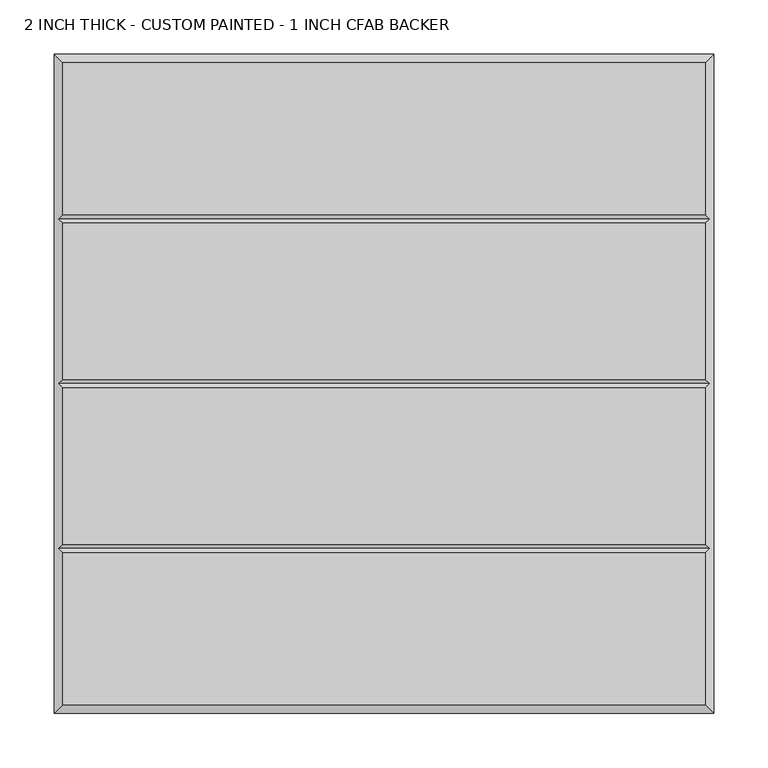
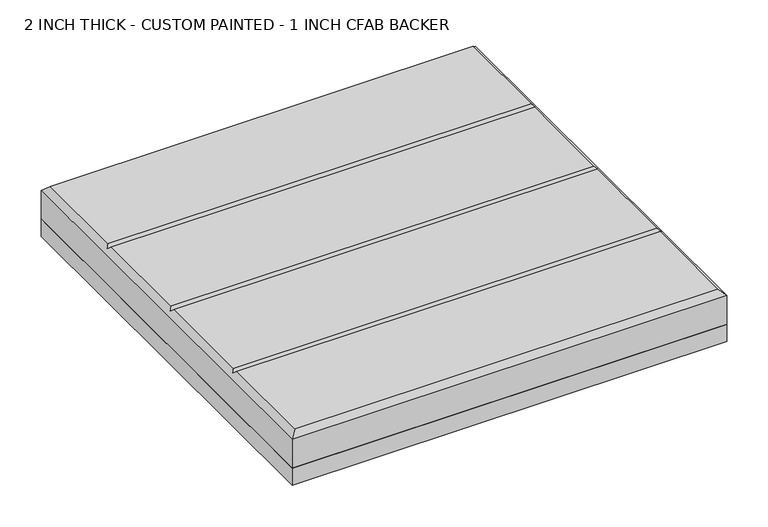
"""IFC4 building model written with IfcOpenShell, lengths in millimetres: proxy geometry, 2 INCH THICK - CUSTOM PAINTED - 1 INCH CFAB BACKER."""

from ifc_helpers import new_model, si_unit, frame, origin, place, context, project, spatial, polyline, outline, extrude, faceted_brep, source, transform, mapped, element, save


def proxy_2_inch_thick_custom_painted_1_inch_cfab_backer_ab500b00(model_context):
    return source(origin(), model_context, "Body", "SolidModel", [
        extrude(outline(polyline([(-304.8, 304.8), (304.8, 304.8), (304.8, -304.8), (-304.8, -304.8), (-304.8, 304.8)])), frame((0.0, 0.0, -25.4), z_axis=(0.0, 0.0, 1.0), x_axis=(1.0, 0.0, 0.0)), (0.0, 0.0, 1.0), 25.4),
        faceted_brep([(296.799, 296.799, 50.8), (-296.799, 296.799, 50.8), (-296.799, 156.4005254, 50.8), (296.799, 156.4005254, 50.8), (-296.799, -296.799, 50.8), (296.799, -296.799, 50.8), (296.799, -156.4004746, 50.8), (-296.799, -156.4004746, 50.8), (296.799, 148.3995254, 50.8), (-296.799, 148.3995254, 50.8), (-296.799, 4.0005, 50.8), (296.799, 4.0005, 50.8), (296.799, -4.0005, 50.8), (-296.799, -4.0005, 50.8), (-296.799, -148.3994746, 50.8), (296.799, -148.3994746, 50.8), (-304.8, 304.8, 0.0), (304.8, 304.8, 0.0), (304.8, -304.8, 0.0), (-304.8, -304.8, 0.0), (-304.8, -304.8, 42.799), (-304.8, 304.8, 42.799), (304.8, -304.8, 42.799), (304.8, 304.8, 42.799), (-300.7995, -152.3999746, 46.7995), (-300.7995, 0.0, 46.7995), (-300.7995, 152.4000254, 46.7995), (300.7995, 152.4000254, 46.7995), (300.7995, 0.0, 46.7995), (300.7995, -152.3999746, 46.7995)], [[[0, 1, 2, 3]], [[4, 5, 6, 7]], [[8, 9, 10, 11]], [[12, 13, 14, 15]], [[16, 17, 18, 19]], [[16, 19, 20, 21]], [[19, 18, 22, 20]], [[18, 17, 23, 22]], [[17, 16, 21, 23]], [[21, 1, 0, 23]], [[1, 21, 20, 4, 7, 24, 14, 13, 25, 10, 9, 26, 2]], [[4, 20, 22, 5]], [[23, 0, 3, 27, 8, 11, 28, 12, 15, 29, 6, 5, 22]], [[27, 26, 9, 8]], [[26, 27, 3, 2]], [[28, 25, 13, 12]], [[25, 28, 11, 10]], [[29, 24, 7, 6]], [[24, 29, 15, 14]]]),
    ])


if __name__ == "__main__":
    model = new_model("IFC4")
    model_context = context("Model", 3, world=origin())
    ifc_project = project(units=[si_unit("LENGTHUNIT", "METRE", prefix="MILLI")], contexts=[model_context])
    site = spatial("IfcSite", under=ifc_project)
    building = spatial("IfcBuilding", under=site)
    placement = place(None, origin())
    proxy_2_inch_thick_custom_painted_1_inch_cfab_backer_shape = proxy_2_inch_thick_custom_painted_1_inch_cfab_backer_ab500b00(model_context)
    element("IfcBuildingElementProxy", 1, Name="2 INCH THICK - CUSTOM PAINTED - 1 INCH CFAB BACKER", ObjectType="2 INCH THICK - CUSTOM PAINTED - 1 INCH CFAB BACKER", at=placement, inside=building, context=model_context, shape_type="MappedRepresentation", body=[
        mapped(proxy_2_inch_thick_custom_painted_1_inch_cfab_backer_shape, transform((0.0, 0.0, 0.0), x_axis=(1.0, 0.0, 0.0), y_axis=(0.0, 1.0, 0.0), z_axis=(0.0, 0.0, 1.0))),
    ])
    save(model, "model.ifc")
